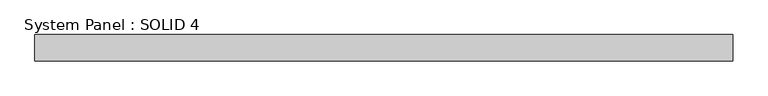
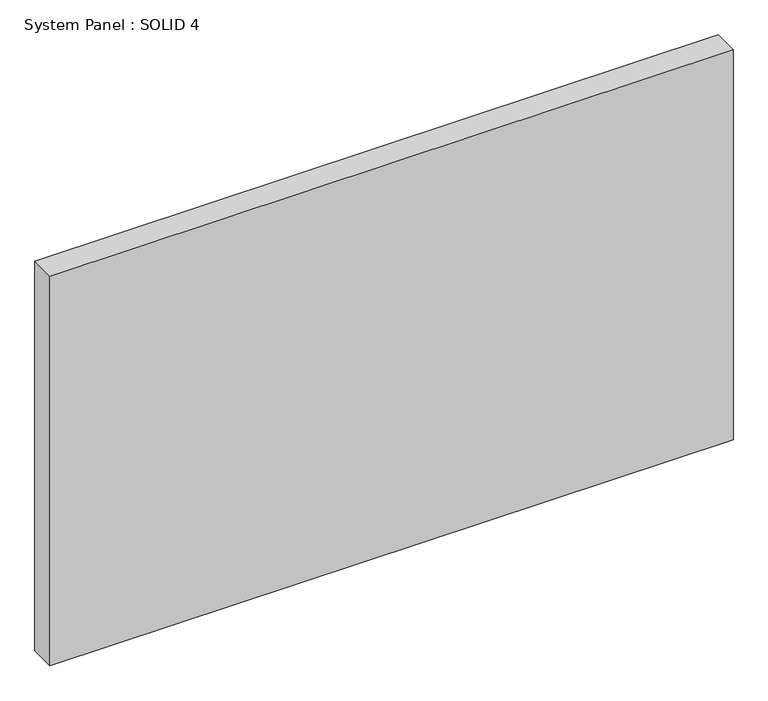
"""IFC4 building model written with IfcOpenShell, lengths in millimetres: plate geometry, System Panel : SOLID 4."""

from ifc_helpers import new_model, si_unit, origin, origin_with_axes, place, context, project, spatial, polyline, outline, extrude, source, transform, mapped, element, save


def system_panel_solid_4_274a4dc0(model_context):
    return source(origin(), model_context, "Body", "SweptSolid", [
        extrude(outline(polyline([(1052.5, 80.0), (-1052.5, 80.0), (-1052.5, 160.0), (1052.5, 160.0), (1052.5, 80.0)])), origin_with_axes(), (0.0, 0.0, 1.0), 1269.6666667),
    ])


if __name__ == "__main__":
    model = new_model("IFC4")
    model_context = context("Model", 3, world=origin())
    ifc_project = project(units=[si_unit("LENGTHUNIT", "METRE", prefix="MILLI")], contexts=[model_context])
    site = spatial("IfcSite", under=ifc_project)
    building = spatial("IfcBuilding", under=site)
    placement = place(None, origin())
    system_panel_solid_4_shape = system_panel_solid_4_274a4dc0(model_context)
    element("IfcPlate", 1, ObjectType="System Panel : SOLID 4", at=placement, inside=building, context=model_context, shape_type="MappedRepresentation", body=[
        mapped(system_panel_solid_4_shape, transform((0.0, 0.0, 0.0), x_axis=(1.0, 0.0, 0.0), y_axis=(0.0, 1.0, 0.0), z_axis=(0.0, 0.0, 1.0))),
    ])
    save(model, "model.ifc")
